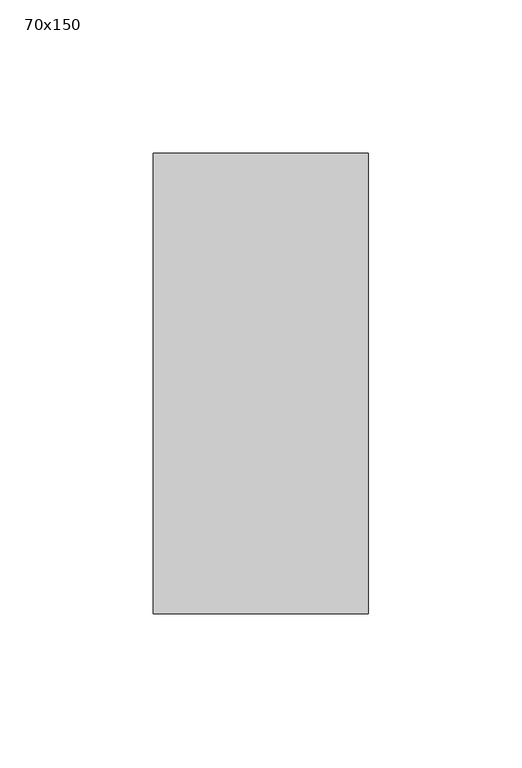
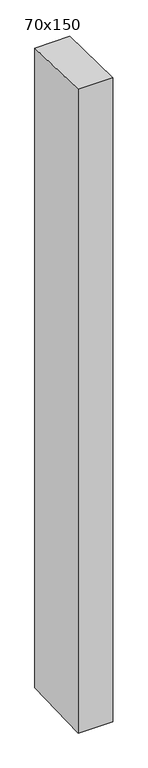
"""IFC4 building model written with IfcOpenShell, lengths in millimetres: member geometry, 70x150."""

import ifcopenshell
import ifcopenshell.guid

model = None  # the IFC model being written
_history = None  # IfcOwnerHistory: only IFC2X3 demands one
_inside = {}  # id of a spatial element -> (the spatial element, [elements in it])
_under = {}  # id of a project, library or spatial element -> (it, [spatial elements below it])
_declared = {}  # id of a project -> (the project, [libraries it declares])
_typed = {}  # id of a type object -> (the type object, [elements of that type])
_made_of = {}  # id of a material, layer set ... -> (it, [elements and type objects made of it])


def new_model(schema):
    """Start an empty IFC model of exactly this schema.

    Asked for "IFC4X3", IfcOpenShell would pick the latest addendum, in which some entities
    have other attributes; the version numbers below select the first issue.
    IFC2X3 requires an IfcOwnerHistory on every rooted entity: one is made here for all.
    """
    global model, _history
    if schema == "IFC4X3":
        model = ifcopenshell.file(schema_version=(4, 3, 0, 0))
    else:
        model = ifcopenshell.file(schema=schema)
    _inside.clear()
    _under.clear()
    _declared.clear()
    _typed.clear()
    _made_of.clear()
    _history = None
    if model.schema == "IFC2X3":
        org = make("IfcOrganization", Name="unknown")
        user = make(
            "IfcPersonAndOrganization",
            ThePerson=make("IfcPerson", FamilyName="unknown"),
            TheOrganization=org,
        )
        app = make(
            "IfcApplication",
            ApplicationDeveloper=org,
            Version="unknown",
            ApplicationFullName="unknown",
            ApplicationIdentifier="unknown",
        )
        _history = make(
            "IfcOwnerHistory",
            OwningUser=user,
            OwningApplication=app,
            ChangeAction="ADDED",
            CreationDate=0,
        )
    return model


def make(cls, **values):
    """One entity of the class cls with the attributes given. An attribute that is None is left unset."""
    return model.create_entity(
        cls, **{name: value for name, value in values.items() if value is not None}
    )


def rooted(cls, **values):
    """An entity with a GlobalId (a new one), such as an element, a storey or a relation."""
    return make(cls, GlobalId=ifcopenshell.guid.new(), OwnerHistory=_history, **values)


def si_unit(unit_type, name, prefix=None):
    """IfcSIUnit, for example si_unit("LENGTHUNIT", "METRE", prefix="MILLI")."""
    return make("IfcSIUnit", UnitType=unit_type, Prefix=prefix, Name=name)


def assignment(units):
    """IfcUnitAssignment: the units of a project."""
    return None if units is None else make("IfcUnitAssignment", Units=units)


def point(xyz):
    """IfcCartesianPoint."""
    return None if xyz is None else make("IfcCartesianPoint", Coordinates=xyz)


def direction(xyz):
    """IfcDirection."""
    return None if xyz is None else make("IfcDirection", DirectionRatios=xyz)


def frame(location, z_axis=None, x_axis=None):
    """IfcAxis2Placement3D, a coordinate frame: its origin and axes. An axis left out is left unset."""
    return make(
        "IfcAxis2Placement3D",
        Location=point(location),
        Axis=direction(z_axis),
        RefDirection=direction(x_axis),
    )


def origin():
    """The frame at (0, 0, 0) with its axes left unset."""
    return frame((0.0, 0.0, 0.0))


def place(relative_to, where):
    """IfcLocalPlacement: puts the frame where relative to a parent placement (None: the world)."""
    return make(
        "IfcLocalPlacement", PlacementRelTo=relative_to, RelativePlacement=where
    )


def context(
    kind, dimensions, precision=None, world=None, true_north=None, identifier=None
):
    """IfcGeometricRepresentationContext, for example the 3D "Model" context."""
    return make(
        "IfcGeometricRepresentationContext",
        ContextIdentifier=identifier,
        ContextType=kind,
        CoordinateSpaceDimension=dimensions,
        Precision=precision,
        WorldCoordinateSystem=world,
        TrueNorth=true_north,
    )


def project(units=None, contexts=None):
    """IfcProject with its units and contexts."""
    return rooted(
        "IfcProject",
        Name="project",
        RepresentationContexts=contexts,
        UnitsInContext=assignment(units),
    )


def spatial(cls, under=None, at=None, **own):
    """A site, building, storey or space (cls), placed at a placement, below another one or the project."""
    s = rooted(cls, ObjectPlacement=at, **own)
    if under is not None:
        _under.setdefault(under.id(), (under, []))[1].append(s)
    return s


def polyline(points):
    """IfcPolyline through the points."""
    return make("IfcPolyline", Points=[point(p) for p in points])


def outline(outer, holes=None, kind="AREA"):
    """IfcArbitraryClosedProfileDef: a profile drawn as a closed curve; with holes, ...WithVoids."""
    if holes is None:
        return make("IfcArbitraryClosedProfileDef", ProfileType=kind, OuterCurve=outer)
    return make(
        "IfcArbitraryProfileDefWithVoids",
        ProfileType=kind,
        OuterCurve=outer,
        InnerCurves=holes,
    )


def extrude(swept, where, along, depth):
    """IfcExtrudedAreaSolid: the profile swept, set in the frame where, extruded along a direction by depth."""
    return make(
        "IfcExtrudedAreaSolid",
        SweptArea=swept,
        Position=where,
        ExtrudedDirection=direction(along),
        Depth=depth,
    )


def shape(context_of_items, identifier, shape_type, items):
    """IfcShapeRepresentation: the items that make up one representation, for example the "Body"."""
    return make(
        "IfcShapeRepresentation",
        ContextOfItems=context_of_items,
        RepresentationIdentifier=identifier,
        RepresentationType=shape_type,
        Items=items,
    )


def source(mapping_origin, context_of_items, identifier, shape_type, items):
    """IfcRepresentationMap: a shape defined once, which mapped items show again and again."""
    return make(
        "IfcRepresentationMap",
        MappingOrigin=mapping_origin,
        MappedRepresentation=shape(context_of_items, identifier, shape_type, items),
    )


def transform(
    local_origin,
    x_axis=None,
    y_axis=None,
    z_axis=None,
    scale=None,
    scale2=None,
    scale3=None,
    uniform=True,
):
    """IfcCartesianTransformationOperator3D, or its non-uniform kind. x_axis, y_axis, z_axis: its Axis1, 2, 3."""
    if uniform:
        return make(
            "IfcCartesianTransformationOperator3D",
            Axis1=direction(x_axis),
            Axis2=direction(y_axis),
            LocalOrigin=point(local_origin),
            Scale=scale,
            Axis3=direction(z_axis),
        )
    return make(
        "IfcCartesianTransformationOperator3DnonUniform",
        Axis1=direction(x_axis),
        Axis2=direction(y_axis),
        LocalOrigin=point(local_origin),
        Scale=scale,
        Axis3=direction(z_axis),
        Scale2=scale2,
        Scale3=scale3,
    )


def mapped(mapping_source, mapping_target):
    """IfcMappedItem: shows the shape of a source again, moved by a transform."""
    return make(
        "IfcMappedItem", MappingSource=mapping_source, MappingTarget=mapping_target
    )


def made_of(thing, what):
    """Note that an element or type object is made of a material, layer set ...; save() writes the relation."""
    if what is not None:
        _made_of.setdefault(what.id(), (what, []))[1].append(thing)
    return thing


def element(
    cls,
    number,
    at=None,
    inside=None,
    cuts=None,
    type_object=None,
    material=None,
    context=None,
    identifier="Body",
    shape_type=None,
    held_by="IfcProductDefinitionShape",
    body=None,
    shapes=None,
    **own,
):
    """One element of the class cls, such as IfcWall. Its Tag is "e" and its number.

    at: its placement. inside: the storey or other place that contains it. cuts: it is an
    opening in that element (IfcRelVoidsElement). A single representation is given by context,
    identifier, shape_type and body (its items); several are given by shapes. held_by: the class
    of the entity that holds the representations. save() writes the other relations.
    """
    e = rooted(cls, Tag="e%d" % number, ObjectPlacement=at, **own)
    if body is not None:
        shapes = [shape(context, identifier, shape_type, body)]
    if shapes is not None:
        e.Representation = make(held_by, Representations=shapes)
    if inside is not None:
        _inside.setdefault(inside.id(), (inside, []))[1].append(e)
    if cuts is not None:
        rooted(
            "IfcRelVoidsElement", RelatingBuildingElement=cuts, RelatedOpeningElement=e
        )
    if type_object is not None:
        _typed.setdefault(type_object.id(), (type_object, []))[1].append(e)
    return made_of(e, material)


def aggregate(whole, parts):
    """IfcRelAggregates: a whole, such as a stair, and the parts it consists of."""
    return rooted("IfcRelAggregates", RelatingObject=whole, RelatedObjects=parts)


def save(model, path):
    """Write the relations noted so far, then the file.

    IfcRelAggregates (storeys below a building ...), IfcRelContainedInSpatialStructure (elements
    in a storey), IfcRelDefinesByType, IfcRelAssociatesMaterial and IfcRelDeclares: one each for
    every whole, place, type object, material and project.
    """
    for whole, parts in _under.values():
        aggregate(whole, parts)
    for where, things in _inside.values():
        rooted(
            "IfcRelContainedInSpatialStructure",
            RelatedElements=things,
            RelatingStructure=where,
        )
    for kind, things in _typed.values():
        rooted("IfcRelDefinesByType", RelatedObjects=things, RelatingType=kind)
    for what, things in _made_of.values():
        rooted("IfcRelAssociatesMaterial", RelatedObjects=things, RelatingMaterial=what)
    for by, libraries in _declared.values():
        rooted("IfcRelDeclares", RelatingContext=by, RelatedDefinitions=libraries)
    model.write(path)


def member_70x150_83a150f0(model_context):
    return source(origin(), model_context, "Body", "SweptSolid", [
        extrude(outline(polyline([(-75.0, 1.6445347), (75.0, -1.6445347), (75.0, -1360.0446701), (-75.0, -1364.8328756), (-75.0, 1.6445347)])), frame((-70.0, 0.0, 0.0), z_axis=(1.0, 0.0, 0.0), x_axis=(0.0, 1.0, 0.0)), (0.0, 0.0, 1.0), 70.0),
    ])


if __name__ == "__main__":
    model = new_model("IFC4")
    model_context = context("Model", 3, world=origin())
    ifc_project = project(units=[si_unit("LENGTHUNIT", "METRE", prefix="MILLI")], contexts=[model_context])
    site = spatial("IfcSite", under=ifc_project)
    building = spatial("IfcBuilding", under=site)
    placement = place(None, origin())
    member_70x150_shape = member_70x150_83a150f0(model_context)
    element("IfcMember", 1, ObjectType="70x150", at=placement, inside=building, context=model_context, shape_type="MappedRepresentation", body=[
        mapped(member_70x150_shape, transform((0.0, 0.0, 0.0), x_axis=(1.0, 0.0, 0.0), y_axis=(0.0, 1.0, 0.0), z_axis=(0.0, 0.0, 1.0))),
    ])
    save(model, "model.ifc")
